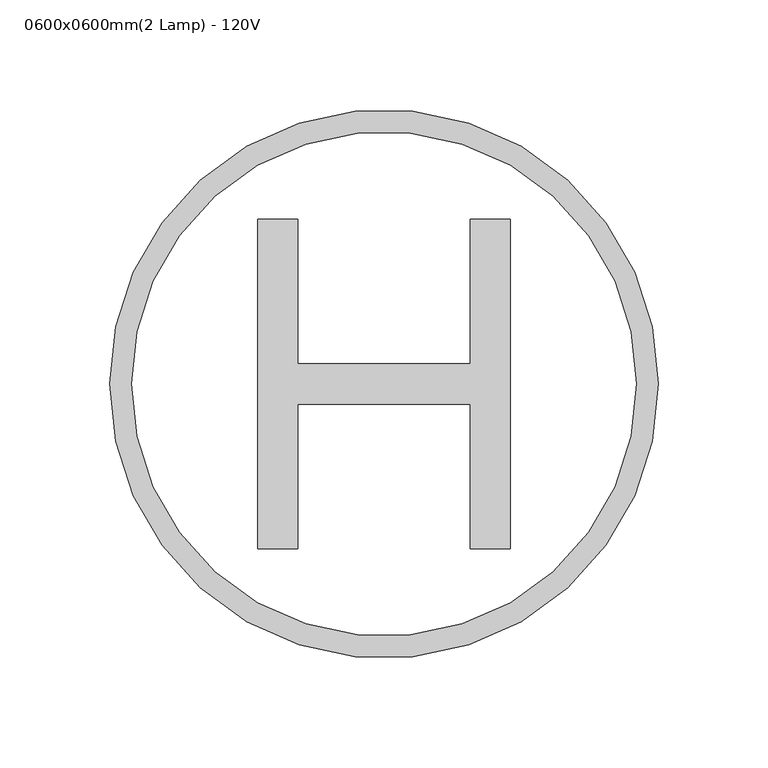
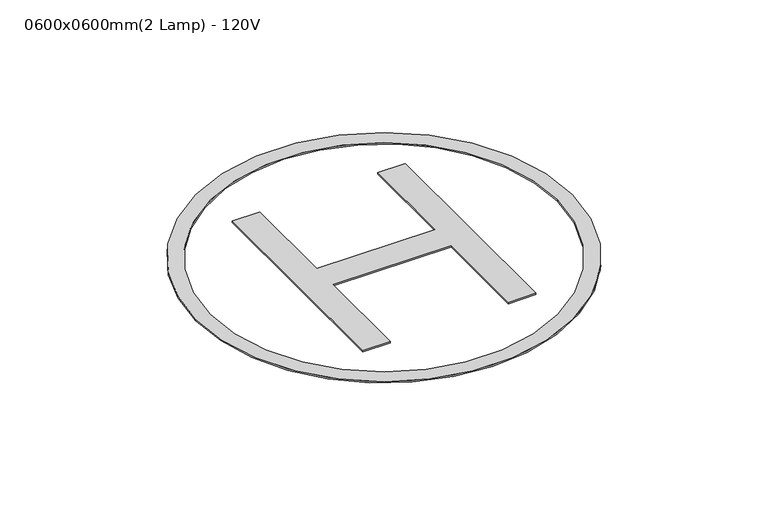
"""IFC4 building model written with IfcOpenShell, lengths in millimetres: proxy geometry, 0600x0600mm(2 Lamp) - 120V."""

from ifc_helpers import new_model, si_unit, point, frame, origin, origin_2d, place, context, project, spatial, polyline, circle_curve, trimmed, segment, composite_curve, outline, extrude, source, transform, mapped, element, save


def proxy_0600x0600mm_2_lamp_120v_5f970455(model_context):
    return source(origin(), model_context, "Body", "SweptSolid", [
        extrude(outline(composite_curve([segment(trimmed(circle_curve(origin_2d(), 125.0), [point((-125.0, 0.0))], [point((125.0, 0.0))], False, "CARTESIAN"), True, "CONTINUOUS"), segment(trimmed(circle_curve(origin_2d(), 125.0), [point((125.0, 0.0))], [point((-125.0, 0.0))], False, "CARTESIAN"), True, "CONTINUOUS")], self_intersect=False), holes=[composite_curve([segment(trimmed(circle_curve(origin_2d(), 115.0), [point((-115.0, 0.0))], [point((115.0, 0.0))], True, "CARTESIAN"), True, "CONTINUOUS"), segment(trimmed(circle_curve(origin_2d(), 115.0), [point((115.0, 0.0))], [point((-115.0, 0.0))], True, "CARTESIAN"), True, "CONTINUOUS")], self_intersect=False)]), frame((0.0, 0.0, -1.0), z_axis=(0.0, 0.0, 1.0), x_axis=(1.0, 0.0, 0.0)), (0.0, 0.0, 1.0), 1.0),
        extrude(outline(polyline([(-57.5, -75.0), (-57.5, 75.0), (-39.2, 75.0), (-39.2, 9.2), (39.2, 9.2), (39.2, 75.0), (57.5, 75.0), (57.5, -75.0), (39.2, -75.0), (39.2, -9.2), (-39.2, -9.2), (-39.2, -75.0), (-57.5, -75.0)])), frame((0.0, 0.0, -1.0), z_axis=(0.0, 0.0, 1.0), x_axis=(1.0, 0.0, 0.0)), (0.0, 0.0, 1.0), 1.0),
    ])


if __name__ == "__main__":
    model = new_model("IFC4")
    model_context = context("Model", 3, world=origin())
    ifc_project = project(units=[si_unit("LENGTHUNIT", "METRE", prefix="MILLI")], contexts=[model_context])
    site = spatial("IfcSite", under=ifc_project)
    building = spatial("IfcBuilding", under=site)
    placement = place(None, origin())
    proxy_0600x0600mm_2_lamp_120v_shape = proxy_0600x0600mm_2_lamp_120v_5f970455(model_context)
    element("IfcBuildingElementProxy", 1, Name="0600x0600mm(2 Lamp) - 120V", ObjectType="0600x0600mm(2 Lamp) - 120V", at=placement, inside=building, context=model_context, shape_type="MappedRepresentation", body=[
        mapped(proxy_0600x0600mm_2_lamp_120v_shape, transform((0.0, 0.0, 0.0), x_axis=(1.0, 0.0, 0.0), y_axis=(0.0, 1.0, 0.0), z_axis=(0.0, 0.0, 1.0))),
    ])
    save(model, "model.ifc")
